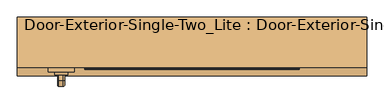
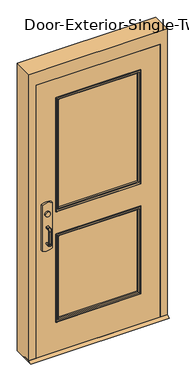
"""IFC4 building model written with IfcOpenShell, lengths in millimetres: door geometry, Door-Exterior-Single-Two_Lite : Door-Exterior-Single-Two_Lite."""

from ifc_helpers import new_model, si_unit, point, frame, frame_2d, origin, place, context, project, spatial, polyline, circle_curve, ellipse_curve, trimmed, segment, composite_curve, outline, extrude, faceted_brep, source, transform, mapped, element, save
from ifc_brep_helpers import plane_surface, cylinder_surface, revolved_surface, advanced_brep


def door_exterior_single_two_lite_door_exterior_single_two_lite_8172dd16(model_context):
    return source(origin(), model_context, "Body", "SolidModel", [
        extrude(outline(polyline([(-112.7125, 12.7), (-87.3125, 0.0), (-182.5625, 0.0), (-157.1625, 12.7), (-112.7125, 12.7)])), frame((-508.0, 0.0, 0.0), z_axis=(1.0, 0.0, 0.0), x_axis=(0.0, 1.0, 0.0)), (0.0, 0.0, 1.0), 1016.0),
        extrude(outline(polyline([(150.2833333, -74.6125), (150.2833333, -80.9625), (-349.25, -80.9625), (-349.25, -74.6125), (150.2833333, -74.6125)])), frame((0.0, 0.0, 990.6), z_axis=(0.0, 0.0, 1.0), x_axis=(1.0, 0.0, 0.0)), (0.0, 0.0, 1.0), 50.8),
        advanced_brep(
        [(-412.75, -80.9625, 1041.4), (-349.25, -80.9625, 1041.4), (400.05, -80.9625, 1041.4), (400.05, -80.9625, 990.6), (-349.25, -80.9625, 990.6), (-412.75, -80.9625, 990.6), (400.05, -112.7125, 1041.4), (-349.25, -112.7125, 1041.4), (-349.25, -112.7125, 1104.9), (-368.3, -112.7125, 1123.95), (-393.7, -112.7125, 1123.95), (-412.75, -112.7125, 1104.9), (-412.75, -112.7125, 927.1), (-393.7, -112.7125, 908.05), (-368.3, -112.7125, 908.05), (-349.25, -112.7125, 927.1), (-349.25, -112.7125, 990.6), (400.05, -112.7125, 990.6), (-412.75, -84.1377467, 1041.4), (-349.25, -84.1377467, 1041.4), (-412.75, -84.1377467, 990.6), (-412.75, -89.1479269, 927.1), (-412.75, -89.1479269, 1104.9), (-349.25, -84.1377467, 990.6), (-349.25, -89.1479269, 1104.9), (-349.25, -89.1479269, 927.1), (-368.3, -90.650981, 1123.95), (-393.7, -90.650981, 1123.95), (-393.7, -90.650981, 908.05), (-368.3, -90.650981, 908.05)],
        [
            (0, 1),
            (1, 2),
            (2, 3),
            (3, 4),
            (4, 5),
            (5, 0),
            (6, 7),
            (7, 8),
            (8, 9, circle_curve(frame((-368.3, -112.7125, 1104.9), z_axis=(0.0, -1.0, 0.0), x_axis=(1.0, 0.0, 0.0)), 19.05)),
            (9, 10),
            (10, 11, circle_curve(frame((-393.7, -112.7125, 1104.9), z_axis=(0.0, -1.0, 0.0), x_axis=(1.0, 0.0, 0.0)), 19.05)),
            (11, 12),
            (12, 13, circle_curve(frame((-393.7, -112.7125, 927.1), z_axis=(0.0, -1.0, 0.0), x_axis=(1.0, 0.0, 0.0)), 19.05)),
            (13, 14),
            (14, 15, circle_curve(frame((-368.3, -112.7125, 927.1), z_axis=(0.0, -1.0, 0.0), x_axis=(1.0, 0.0, 0.0)), 19.05)),
            (15, 16),
            (16, 17),
            (17, 6),
            (0, 18),
            (18, 19),
            (19, 7),
            (6, 2),
            (5, 20),
            (20, 21),
            (21, 12),
            (11, 22),
            (22, 18),
            (16, 23),
            (23, 20),
            (3, 17),
            (19, 24),
            (24, 8),
            (15, 25),
            (25, 23),
            (9, 26),
            (26, 27),
            (27, 10),
            (13, 28),
            (28, 29),
            (29, 14),
            (29, 25, ellipse_curve(frame((-368.3, -89.1479269, 927.1), z_axis=(0.0, -0.9969018152893365, 0.07865602756830282), x_axis=(0.0, 0.07865602756830208, 0.9969018152893365)), 19.1092038, 19.05)),
            (24, 26, ellipse_curve(frame((-368.3, -89.1479269, 1104.9), z_axis=(0.0, -0.9969018152893376, -0.07865602756828934), x_axis=(0.0, 0.078656027568288, -0.9969018152893377)), 19.1092038, 19.05)),
            (27, 22, ellipse_curve(frame((-393.7, -89.1479269, 1104.9), z_axis=(0.0, -0.9969018152893376, -0.07865602756828934), x_axis=(0.0, 0.078656027568288, -0.9969018152893377)), 19.1092038, 19.05)),
            (21, 28, ellipse_curve(frame((-393.7, -89.1479269, 927.1), z_axis=(0.0, -0.9969018152893365, 0.07865602756830282), x_axis=(0.0, 0.07865602756830208, 0.9969018152893365)), 19.1092038, 19.05)),
        ],
        [
            plane_surface(frame((-412.75, -80.9625, 1041.4), z_axis=(0.0, 1.0, 0.0), x_axis=(-1.0, 0.0, 0.0))),
            plane_surface(frame((-412.75, -112.7125, 1041.4), z_axis=(0.0, -1.0, 0.0), x_axis=(1.0, 0.0, 0.0))),
            plane_surface(frame((400.05, -80.9625, 1041.4), z_axis=(0.0, 0.0, 1.0), x_axis=(0.0, -1.0, 0.0))),
            plane_surface(frame((-412.75, -80.9625, 1041.4), z_axis=(-1.0, 0.0, 0.0), x_axis=(0.0, -1.0, 0.0))),
            plane_surface(frame((-412.75, -80.9625, 990.6), z_axis=(0.0, 0.0, -1.0), x_axis=(0.0, -1.0, 0.0))),
            plane_surface(frame((400.05, -80.9625, 990.6), z_axis=(1.0, 0.0, 0.0), x_axis=(0.0, -1.0, 0.0))),
            plane_surface(frame((-349.25, -84.1377467, 927.1), z_axis=(1.0, 0.0, 0.0), x_axis=(0.0, -1.0, 0.0))),
            plane_surface(frame((-368.3, -84.1377467, 1123.95), z_axis=(0.0, 0.0, 1.0), x_axis=(0.0, -1.0, 0.0))),
            plane_surface(frame((-393.7, -84.1377467, 908.05), z_axis=(0.0, 0.0, -1.0), x_axis=(0.0, -1.0, 0.0))),
            cylinder_surface(frame((-368.3, -112.7125, 927.1), z_axis=(0.0, 1.0, 0.0), x_axis=(1.0, 0.0, 0.0)), 19.05),
            cylinder_surface(frame((-368.3, -112.7125, 1104.9), z_axis=(0.0, 1.0, 0.0), x_axis=(1.0, 0.0, 0.0)), 19.05),
            cylinder_surface(frame((-393.7, -112.7125, 1104.9), z_axis=(0.0, 1.0, 0.0), x_axis=(1.0, 0.0, 0.0)), 19.05),
            cylinder_surface(frame((-393.7, -112.7125, 927.1), z_axis=(0.0, 1.0, 0.0), x_axis=(1.0, 0.0, 0.0)), 19.05),
            plane_surface(frame((-349.25, -84.1377467, 1041.4), z_axis=(0.0, 0.9969018152893376, 0.07865602756828934), x_axis=(-1.0, 0.0, 0.0))),
            plane_surface(frame((-349.25, -90.650981, 908.05), z_axis=(0.0, 0.9969018152893365, -0.07865602756830282), x_axis=(-1.0, 0.0, 0.0))),
        ],
        [
            (0, [[1, 2, 3, 4, 5, 6]]),
            (1, [[7, 8, 9, 10, 11, 12, 13, 14, 15, 16, 17, 18]]),
            (2, [[-2, -1, 19, 20, 21, -7, 22]]),
            (3, [[23, 24, 25, -12, 26, 27, -19, -6]]),
            (4, [[-17, 28, 29, -23, -5, -4, 30]]),
            (5, [[-22, -18, -30, -3]]),
            (6, [[-21, 31, 32, -8]]),
            (6, [[33, 34, -28, -16]]),
            (7, [[35, 36, 37, -10]]),
            (8, [[38, 39, 40, -14]]),
            (9, [[-40, 41, -33, -15]]),
            (10, [[-32, 42, -35, -9]]),
            (11, [[-37, 43, -26, -11]]),
            (12, [[-25, 44, -38, -13]]),
            (13, [[-27, -43, -36, -42, -31, -20]]),
            (14, [[-29, -34, -41, -39, -44, -24]]),
        ],
    ),
        advanced_brep(
        [(-391.0, -169.8625, 1017.190625), (-387.428125, -169.8625, 1020.7625), (-374.571875, -169.8625, 1020.7625), (-371.0, -169.8625, 1017.190625), (-371.0, -169.8625, 1014.8090406), (-374.5715406, -169.8625, 1011.2375), (-387.428125, -169.8625, 1011.2375), (-391.0, -169.8625, 1014.809375), (-391.0, -169.8625, 887.809375), (-391.0, -169.8625, 890.190625), (-387.428125, -169.8625, 893.7625), (-374.5715406, -169.8625, 893.7625), (-371.0, -169.8625, 890.1909594), (-371.0, -169.8625, 887.809375), (-374.571875, -169.8625, 884.2375), (-387.428125, -169.8625, 884.2375), (-391.0, -195.2625, 1014.809375), (-391.0, -206.771875, 1003.3), (-391.0, -206.771875, 901.7), (-391.0, -195.2625, 890.190625), (-391.0, -195.2625, 887.809375), (-391.0, -209.153125, 901.7), (-391.0, -209.153125, 1003.3), (-391.0, -195.2625, 1017.190625), (-387.428125, -195.2625, 1011.2375), (-374.5715406, -195.2625, 1011.2375), (-371.0, -195.2625, 1014.8090406), (-371.0, -195.2625, 1017.190625), (-371.0, -209.153125, 1003.3), (-371.0, -209.153125, 901.7), (-371.0, -195.2625, 887.809375), (-371.0, -195.2625, 890.1909594), (-371.0, -206.7715406, 901.7), (-371.0, -206.7715406, 1003.3), (-374.571875, -195.2625, 1020.7625), (-387.428125, -195.2625, 1020.7625), (-387.428125, -203.2, 1003.3), (-374.5715406, -203.2, 1003.3), (-374.571875, -212.725, 1003.3), (-387.428125, -212.725, 1003.3), (-387.428125, -203.2, 901.7), (-374.5715406, -203.2, 901.7), (-374.571875, -212.725, 901.7), (-387.428125, -212.725, 901.7), (-387.428125, -195.2625, 893.7625), (-374.5715406, -195.2625, 893.7625), (-374.571875, -195.2625, 884.2375), (-387.428125, -195.2625, 884.2375)],
        [
            (0, 1, circle_curve(frame((-387.428125, -169.8625, 1017.190625), z_axis=(0.0, 1.0, 0.0), x_axis=(0.0, 0.0, 1.0)), 3.571875)),
            (1, 2),
            (2, 3, circle_curve(frame((-374.571875, -169.8625, 1017.190625), z_axis=(0.0, 1.0, 0.0), x_axis=(0.0, 0.0, 1.0)), 3.571875)),
            (3, 4),
            (4, 5, circle_curve(frame((-374.5715406, -169.8625, 1014.8090406), z_axis=(0.0, 1.0, 0.0), x_axis=(0.0, 0.0, 1.0)), 3.5715406)),
            (5, 6),
            (6, 7, circle_curve(frame((-387.428125, -169.8625, 1014.809375), z_axis=(0.0, 1.0, 0.0), x_axis=(0.0, 0.0, 1.0)), 3.571875)),
            (7, 0),
            (8, 9),
            (9, 10, circle_curve(frame((-387.428125, -169.8625, 890.190625), z_axis=(0.0, 1.0, 0.0), x_axis=(0.0, 0.0, -1.0)), 3.571875)),
            (10, 11),
            (11, 12, circle_curve(frame((-374.5715406, -169.8625, 890.1909594), z_axis=(0.0, 1.0, 0.0), x_axis=(0.0, 0.0, -1.0)), 3.5715406)),
            (12, 13),
            (13, 14, circle_curve(frame((-374.571875, -169.8625, 887.809375), z_axis=(0.0, 1.0, 0.0), x_axis=(0.0, 0.0, -1.0)), 3.571875)),
            (14, 15),
            (15, 8, circle_curve(frame((-387.428125, -169.8625, 887.809375), z_axis=(0.0, 1.0, 0.0), x_axis=(0.0, 0.0, -1.0)), 3.571875)),
            (7, 16),
            (16, 17, circle_curve(frame((-391.0, -195.2625, 1003.3), z_axis=(1.0, 0.0, 0.0), x_axis=(0.0, 0.0, 1.0)), 11.509375)),
            (17, 18),
            (18, 19, circle_curve(frame((-391.0, -195.2625, 901.7), z_axis=(1.0, 0.0, 0.0), x_axis=(0.0, -1.0, 0.0)), 11.509375)),
            (19, 9),
            (8, 20),
            (20, 21, circle_curve(frame((-391.0, -195.2625, 901.7), z_axis=(-1.0, 0.0, 0.0), x_axis=(0.0, -1.0, 0.0)), 13.890625)),
            (21, 22),
            (22, 23, circle_curve(frame((-391.0, -195.2625, 1003.3), z_axis=(-1.0, 0.0, 0.0), x_axis=(0.0, 0.0, 1.0)), 13.890625)),
            (23, 0),
            (6, 24),
            (24, 16, circle_curve(frame((-387.428125, -195.2625, 1014.809375), z_axis=(0.0, 1.0, 0.0), x_axis=(0.0, 0.0, 1.0)), 3.571875)),
            (5, 25),
            (25, 24),
            (4, 26),
            (26, 25, circle_curve(frame((-374.5715406, -195.2625, 1014.8090406), z_axis=(0.0, 1.0, 0.0), x_axis=(0.0, 0.0, 1.0)), 3.5715406)),
            (3, 27),
            (27, 28, circle_curve(frame((-371.0, -195.2625, 1003.3), z_axis=(1.0, 0.0, 0.0), x_axis=(0.0, 0.0, 1.0)), 13.890625)),
            (28, 29),
            (29, 30, circle_curve(frame((-371.0, -195.2625, 901.7), z_axis=(1.0, 0.0, 0.0), x_axis=(0.0, -1.0, 0.0)), 13.890625)),
            (30, 13),
            (12, 31),
            (31, 32, circle_curve(frame((-371.0, -195.2625, 901.7), z_axis=(-1.0, 0.0, 0.0), x_axis=(0.0, -1.0, 0.0)), 11.5090406)),
            (32, 33),
            (33, 26, circle_curve(frame((-371.0, -195.2625, 1003.3), z_axis=(-1.0, 0.0, 0.0), x_axis=(0.0, 0.0, 1.0)), 11.5090406)),
            (2, 34),
            (34, 27, circle_curve(frame((-374.571875, -195.2625, 1017.190625), z_axis=(0.0, 1.0, 0.0), x_axis=(0.0, 0.0, 1.0)), 3.571875)),
            (1, 35),
            (35, 34),
            (23, 35, circle_curve(frame((-387.428125, -195.2625, 1017.190625), z_axis=(0.0, 1.0, 0.0), x_axis=(0.0, 0.0, 1.0)), 3.571875)),
            (36, 17, circle_curve(frame((-387.428125, -206.771875, 1003.3), z_axis=(0.0, 0.0, 1.0), x_axis=(0.0, -1.0, 0.0)), 3.571875)),
            (24, 36, circle_curve(frame((-387.428125, -195.2625, 1003.3), z_axis=(1.0, 0.0, 0.0), x_axis=(0.0, 0.0, 1.0)), 7.9375)),
            (37, 36),
            (25, 37, circle_curve(frame((-374.5715406, -195.2625, 1003.3), z_axis=(1.0, 0.0, 0.0), x_axis=(0.0, 0.0, 1.0)), 7.9375)),
            (33, 37, circle_curve(frame((-374.5715406, -206.7715406, 1003.3), z_axis=(0.0, 0.0, 1.0), x_axis=(0.0, -1.0, 0.0)), 3.5715406)),
            (38, 28, circle_curve(frame((-374.571875, -209.153125, 1003.3), z_axis=(0.0, 0.0, 1.0), x_axis=(0.0, -1.0, 0.0)), 3.571875)),
            (34, 38, circle_curve(frame((-374.571875, -195.2625, 1003.3), z_axis=(1.0, 0.0, 0.0), x_axis=(0.0, 0.0, 1.0)), 17.4625)),
            (39, 38),
            (35, 39, circle_curve(frame((-387.428125, -195.2625, 1003.3), z_axis=(1.0, 0.0, 0.0), x_axis=(0.0, 0.0, 1.0)), 17.4625)),
            (22, 39, circle_curve(frame((-387.428125, -209.153125, 1003.3), z_axis=(0.0, 0.0, 1.0), x_axis=(0.0, -1.0, 0.0)), 3.571875)),
            (36, 40),
            (40, 18, circle_curve(frame((-387.428125, -206.771875, 901.7), z_axis=(0.0, 0.0, 1.0), x_axis=(0.0, -1.0, 0.0)), 3.571875)),
            (37, 41),
            (41, 40),
            (32, 41, circle_curve(frame((-374.5715406, -206.7715406, 901.7), z_axis=(0.0, 0.0, 1.0), x_axis=(0.0, -1.0, 0.0)), 3.5715406)),
            (38, 42),
            (42, 29, circle_curve(frame((-374.571875, -209.153125, 901.7), z_axis=(0.0, 0.0, 1.0), x_axis=(0.0, -1.0, 0.0)), 3.571875)),
            (39, 43),
            (43, 42),
            (21, 43, circle_curve(frame((-387.428125, -209.153125, 901.7), z_axis=(0.0, 0.0, 1.0), x_axis=(0.0, -1.0, 0.0)), 3.571875)),
            (44, 19, circle_curve(frame((-387.428125, -195.2625, 890.190625), z_axis=(0.0, -1.0, 0.0), x_axis=(0.0, 0.0, -1.0)), 3.571875)),
            (40, 44, circle_curve(frame((-387.428125, -195.2625, 901.7), z_axis=(1.0, 0.0, 0.0), x_axis=(0.0, -1.0, 0.0)), 7.9375)),
            (45, 44),
            (41, 45, circle_curve(frame((-374.5715406, -195.2625, 901.7), z_axis=(1.0, 0.0, 0.0), x_axis=(0.0, -1.0, 0.0)), 7.9375)),
            (31, 45, circle_curve(frame((-374.5715406, -195.2625, 890.1909594), z_axis=(0.0, -1.0, 0.0), x_axis=(0.0, 0.0, -1.0)), 3.5715406)),
            (46, 30, circle_curve(frame((-374.571875, -195.2625, 887.809375), z_axis=(0.0, -1.0, 0.0), x_axis=(0.0, 0.0, -1.0)), 3.571875)),
            (42, 46, circle_curve(frame((-374.571875, -195.2625, 901.7), z_axis=(1.0, 0.0, 0.0), x_axis=(0.0, -1.0, 0.0)), 17.4625)),
            (47, 46),
            (43, 47, circle_curve(frame((-387.428125, -195.2625, 901.7), z_axis=(1.0, 0.0, 0.0), x_axis=(0.0, -1.0, 0.0)), 17.4625)),
            (20, 47, circle_curve(frame((-387.428125, -195.2625, 887.809375), z_axis=(0.0, -1.0, 0.0), x_axis=(0.0, 0.0, -1.0)), 3.571875)),
            (44, 10),
            (45, 11),
            (46, 14),
            (47, 15),
        ],
        [
            plane_surface(frame((-381.0, -169.8625, 1016.0), z_axis=(0.0, 1.0, 0.0), x_axis=(1.0, 0.0, 0.0))),
            plane_surface(frame((-381.0, -169.8625, 889.0), z_axis=(0.0, 1.0, 0.0), x_axis=(1.0, 0.0, 0.0))),
            plane_surface(frame((-391.0, -169.8625, 1017.190625), z_axis=(-1.0, 0.0, 0.0), x_axis=(0.0, -1.0, 0.0))),
            cylinder_surface(frame((-387.428125, -169.8625, 1014.809375), z_axis=(0.0, 1.0, 0.0), x_axis=(0.0, 0.0, 1.0)), 3.571875),
            plane_surface(frame((-387.428125, -169.8625, 1011.2375), z_axis=(0.0, 0.0, -1.0), x_axis=(0.0, -1.0, 0.0))),
            cylinder_surface(frame((-374.5715406, -169.8625, 1014.8090406), z_axis=(0.0, 1.0, 0.0), x_axis=(0.0, 0.0, 1.0)), 3.5715406),
            plane_surface(frame((-371.0, -169.8625, 1014.8090406), z_axis=(1.0, 0.0, 0.0), x_axis=(0.0, -1.0, 0.0))),
            cylinder_surface(frame((-374.571875, -169.8625, 1017.190625), z_axis=(0.0, 1.0, 0.0), x_axis=(0.0, 0.0, 1.0)), 3.571875),
            plane_surface(frame((-374.571875, -169.8625, 1020.7625), z_axis=(0.0, 0.0, 1.0), x_axis=(0.0, -1.0, 0.0))),
            cylinder_surface(frame((-387.428125, -169.8625, 1017.190625), z_axis=(0.0, 1.0, 0.0), x_axis=(0.0, 0.0, 1.0)), 3.571875),
            revolved_surface(trimmed(ellipse_curve(frame((-387.428125, -195.2625, 1014.809375), z_axis=(0.0, -1.0, 0.0), x_axis=(0.0, 0.0, 1.0)), 3.571875, 3.571875), [point((-391.0, -195.2625, 1014.809375))], [point((-387.428125, -195.2625, 1011.2375))], True, "CARTESIAN"), (-381.0, -195.2625, 1003.3), (-1.0, 0.0, 0.0)),
            revolved_surface(polyline([(-387.428125, -195.2625, 1011.2375), (-374.5715406, -195.2625, 1011.2375)]), (-381.0, -195.2625, 1003.3), (-1.0, 0.0, 0.0)),
            revolved_surface(trimmed(ellipse_curve(frame((-374.5715406, -195.2625, 1014.8090406), z_axis=(0.0, -1.0, 0.0), x_axis=(0.0, 0.0, 1.0)), 3.5715406, 3.5715406), [point((-374.5715406, -195.2625, 1011.2375))], [point((-371.0, -195.2625, 1014.8090406))], True, "CARTESIAN"), (-381.0, -195.2625, 1003.3), (-1.0, 0.0, 0.0)),
            revolved_surface(trimmed(ellipse_curve(frame((-374.571875, -195.2625, 1017.190625), z_axis=(0.0, -1.0, 0.0), x_axis=(0.0, 0.0, 1.0)), 3.571875, 3.571875), [point((-371.0, -195.2625, 1017.190625))], [point((-374.571875, -195.2625, 1020.7625))], True, "CARTESIAN"), (-381.0, -195.2625, 1003.3), (-1.0, 0.0, 0.0)),
            cylinder_surface(frame((-381.0, -195.2625, 1003.3), z_axis=(-1.0, 0.0, 0.0), x_axis=(0.0, 0.0, 1.0)), 17.4625),
            revolved_surface(trimmed(ellipse_curve(frame((-387.428125, -195.2625, 1017.190625), z_axis=(0.0, -1.0, 0.0), x_axis=(0.0, 0.0, 1.0)), 3.571875, 3.571875), [point((-387.428125, -195.2625, 1020.7625))], [point((-391.0, -195.2625, 1017.190625))], True, "CARTESIAN"), (-381.0, -195.2625, 1003.3), (-1.0, 0.0, 0.0)),
            cylinder_surface(frame((-387.428125, -206.771875, 1003.3), z_axis=(0.0, 0.0, 1.0), x_axis=(0.0, -1.0, 0.0)), 3.571875),
            plane_surface(frame((-387.428125, -203.2, 1003.3), z_axis=(0.0, 1.0, 0.0), x_axis=(0.0, 0.0, -1.0))),
            cylinder_surface(frame((-374.5715406, -206.7715406, 1003.3), z_axis=(0.0, 0.0, 1.0), x_axis=(0.0, -1.0, 0.0)), 3.5715406),
            cylinder_surface(frame((-374.571875, -209.153125, 1003.3), z_axis=(0.0, 0.0, 1.0), x_axis=(0.0, -1.0, 0.0)), 3.571875),
            plane_surface(frame((-374.571875, -212.725, 1003.3), z_axis=(0.0, -1.0, 0.0), x_axis=(0.0, 0.0, -1.0))),
            cylinder_surface(frame((-387.428125, -209.153125, 1003.3), z_axis=(0.0, 0.0, 1.0), x_axis=(0.0, -1.0, 0.0)), 3.571875),
            revolved_surface(trimmed(ellipse_curve(frame((-387.428125, -206.771875, 901.7), z_axis=(0.0, 0.0, -1.0), x_axis=(0.0, -1.0, 0.0)), 3.571875, 3.571875), [point((-391.0, -206.771875, 901.7))], [point((-387.428125, -203.2, 901.7))], True, "CARTESIAN"), (-381.0, -195.2625, 901.7), (-1.0, 0.0, 0.0)),
            revolved_surface(polyline([(-387.428125, -203.2, 901.7), (-374.5715406, -203.2, 901.7)]), (-381.0, -195.2625, 901.7), (-1.0, 0.0, 0.0)),
            revolved_surface(trimmed(ellipse_curve(frame((-374.5715406, -206.7715406, 901.7), z_axis=(0.0, 0.0, -1.0), x_axis=(0.0, -1.0, 0.0)), 3.5715406, 3.5715406), [point((-374.5715406, -203.2, 901.7))], [point((-371.0, -206.7715406, 901.7))], True, "CARTESIAN"), (-381.0, -195.2625, 901.7), (-1.0, 0.0, 0.0)),
            revolved_surface(trimmed(ellipse_curve(frame((-374.571875, -209.153125, 901.7), z_axis=(0.0, 0.0, -1.0), x_axis=(0.0, -1.0, 0.0)), 3.571875, 3.571875), [point((-371.0, -209.153125, 901.7))], [point((-374.571875, -212.725, 901.7))], True, "CARTESIAN"), (-381.0, -195.2625, 901.7), (-1.0, 0.0, 0.0)),
            cylinder_surface(frame((-381.0, -195.2625, 901.7), z_axis=(-1.0, 0.0, 0.0), x_axis=(0.0, -1.0, 0.0)), 17.4625),
            revolved_surface(trimmed(ellipse_curve(frame((-387.428125, -209.153125, 901.7), z_axis=(0.0, 0.0, -1.0), x_axis=(0.0, -1.0, 0.0)), 3.571875, 3.571875), [point((-387.428125, -212.725, 901.7))], [point((-391.0, -209.153125, 901.7))], True, "CARTESIAN"), (-381.0, -195.2625, 901.7), (-1.0, 0.0, 0.0)),
            cylinder_surface(frame((-387.428125, -195.2625, 890.190625), z_axis=(0.0, -1.0, 0.0), x_axis=(0.0, 0.0, -1.0)), 3.571875),
            plane_surface(frame((-387.428125, -195.2625, 893.7625), z_axis=(0.0, 0.0, 1.0), x_axis=(0.0, 1.0, 0.0))),
            cylinder_surface(frame((-374.5715406, -195.2625, 890.1909594), z_axis=(0.0, -1.0, 0.0), x_axis=(0.0, 0.0, -1.0)), 3.5715406),
            cylinder_surface(frame((-374.571875, -195.2625, 887.809375), z_axis=(0.0, -1.0, 0.0), x_axis=(0.0, 0.0, -1.0)), 3.571875),
            plane_surface(frame((-374.571875, -195.2625, 884.2375), z_axis=(0.0, 0.0, -1.0), x_axis=(0.0, 1.0, 0.0))),
            cylinder_surface(frame((-387.428125, -195.2625, 887.809375), z_axis=(0.0, -1.0, 0.0), x_axis=(0.0, 0.0, -1.0)), 3.571875),
        ],
        [
            (0, [[1, 2, 3, 4, 5, 6, 7, 8]]),
            (1, [[9, 10, 11, 12, 13, 14, 15, 16]]),
            (2, [[17, 18, 19, 20, 21, -9, 22, 23, 24, 25, 26, -8]]),
            (3, [[27, 28, -17, -7]]),
            (4, [[29, 30, -27, -6]]),
            (5, [[31, 32, -29, -5]]),
            (6, [[33, 34, 35, 36, 37, -13, 38, 39, 40, 41, -31, -4]]),
            (7, [[42, 43, -33, -3]]),
            (8, [[44, 45, -42, -2]]),
            (9, [[-26, 46, -44, -1]]),
            (10, [[47, -18, -28, 48]]),
            (11, [[49, -48, -30, 50]]),
            (12, [[51, -50, -32, -41]]),
            (13, [[52, -34, -43, 53]]),
            (14, [[54, -53, -45, 55]]),
            (15, [[56, -55, -46, -25]]),
            (16, [[57, 58, -19, -47]]),
            (17, [[59, 60, -57, -49]]),
            (18, [[-40, 61, -59, -51]]),
            (19, [[62, 63, -35, -52]]),
            (20, [[64, 65, -62, -54]]),
            (21, [[-24, 66, -64, -56]]),
            (22, [[67, -20, -58, 68]]),
            (23, [[69, -68, -60, 70]]),
            (24, [[71, -70, -61, -39]]),
            (25, [[72, -36, -63, 73]]),
            (26, [[74, -73, -65, 75]]),
            (27, [[76, -75, -66, -23]]),
            (28, [[77, -10, -21, -67]]),
            (29, [[78, -11, -77, -69]]),
            (30, [[-38, -12, -78, -71]]),
            (31, [[79, -14, -37, -72]]),
            (32, [[80, -15, -79, -74]]),
            (33, [[-22, -16, -80, -76]]),
        ],
    ),
        extrude(outline(composite_curve([segment(trimmed(circle_curve(frame_2d((1117.6, -381.0)), 19.0), [point((1117.6, -400.0))], [point((1117.6, -362.0))], False, "CARTESIAN"), True, "CONTINUOUS"), segment(trimmed(circle_curve(frame_2d((1117.6, -381.0)), 19.0), [point((1117.6, -362.0))], [point((1117.6, -400.0))], False, "CARTESIAN"), True, "CONTINUOUS")], self_intersect=False)), frame((0.0, -178.59375, 0.0), z_axis=(0.0, 1.0, 0.0), x_axis=(0.0, 0.0, 1.0)), (0.0, 0.0, 1.0), 8.73125),
        extrude(outline(composite_curve([segment(trimmed(circle_curve(frame_2d((1113.0338574, -381.0)), 89.3016225), [point((1193.8, -342.9))], [point((1193.8, -419.1))], False, "CARTESIAN"), True, "CONTINUOUS"), segment(polyline([(1193.8, -419.1), (838.2, -419.1)]), True, "CONTINUOUS"), segment(trimmed(circle_curve(frame_2d((918.9661426, -381.0)), 89.3016225), [point((838.2, -419.1))], [point((838.2, -342.9))], False, "CARTESIAN"), True, "CONTINUOUS"), segment(polyline([(838.2, -342.9), (1193.8, -342.9)]), True, "CONTINUOUS")], self_intersect=False)), frame((0.0, -169.8625, 0.0), z_axis=(0.0, 1.0, 0.0), x_axis=(0.0, 0.0, 1.0)), (0.0, 0.0, 1.0), 12.7),
        faceted_brep([(457.2, -107.95, 0.0), (441.325, -107.95, 0.0), (441.325, -60.325, 0.0), (457.2, -60.325, 0.0), (457.2, -11.1125, 0.0), (508.0, -11.1125, 0.0), (508.0, -157.1625, 0.0), (457.2, -157.1625, 0.0), (457.2, -157.1625, 2133.6), (457.2, -107.95, 2133.6), (508.0, -157.1625, 2235.2), (-508.0, -157.1625, 2235.2), (-508.0, -157.1625, 0.0), (-457.2, -157.1625, 0.0), (-457.2, -157.1625, 2133.6), (508.0, -11.1125, 2235.2), (457.2, -11.1125, 2133.6), (-457.2, -11.1125, 2133.6), (-457.2, -11.1125, 0.0), (-508.0, -11.1125, 0.0), (-508.0, -11.1125, 2235.2), (457.2, -60.325, 2133.6), (441.325, -60.325, 2117.725), (-441.325, -60.325, 2117.725), (-441.325, -60.325, 0.0), (-457.2, -60.325, 0.0), (-457.2, -60.325, 2133.6), (441.325, -107.95, 2117.725), (-457.2, -107.95, 2133.6), (-457.2, -107.95, 0.0), (-441.325, -107.95, 0.0), (-441.325, -107.95, 2117.725)], [[[0, 1, 2, 3, 4, 5, 6, 7]], [[7, 8, 9, 0]], [[6, 10, 11, 12, 13, 14, 8, 7]], [[5, 15, 10, 6]], [[4, 16, 17, 18, 19, 20, 15, 5]], [[3, 21, 16, 4]], [[2, 22, 23, 24, 25, 26, 21, 3]], [[1, 27, 22, 2]], [[0, 9, 28, 29, 30, 31, 27, 1]], [[8, 14, 28, 9]], [[16, 21, 26, 17]], [[22, 27, 31, 23]], [[12, 19, 18, 25, 24, 30, 29, 13]], [[13, 29, 28, 14]], [[11, 20, 19, 12]], [[17, 26, 25, 18]], [[23, 31, 30, 24]], [[15, 20, 11, 10]]]),
        extrude(outline(polyline([(2133.6, -457.2), (12.7, -457.2), (12.7, 457.2), (2133.6, 457.2), (2133.6, -457.2)]), holes=[polyline([(1981.2, -304.8), (1981.2, 304.8), (1111.25, 304.8), (1111.25, -304.8), (1981.2, -304.8)]), polyline([(920.75, -304.8), (920.75, 304.8), (254.0, 304.8), (254.0, -304.8), (920.75, -304.8)])]), frame((0.0, -157.1625, 0.0), z_axis=(0.0, 1.0, 0.0), x_axis=(0.0, 0.0, 1.0)), (0.0, 0.0, 1.0), 44.45),
        extrude(outline(polyline([(304.8, -125.4125), (304.8, -144.4625), (-304.8, -144.4625), (-304.8, -125.4125), (304.8, -125.4125)])), frame((0.0, 0.0, 1111.25), z_axis=(0.0, 0.0, 1.0), x_axis=(1.0, 0.0, 0.0)), (0.0, 0.0, 1.0), 869.95),
        extrude(outline(polyline([(304.8, -125.4125), (304.8, -144.4625), (-304.8, -144.4625), (-304.8, -125.4125), (304.8, -125.4125)])), frame((0.0, 0.0, 254.0), z_axis=(0.0, 0.0, 1.0), x_axis=(1.0, 0.0, 0.0)), (0.0, 0.0, 1.0), 666.75),
        advanced_brep(
        [(304.8, -125.4125, 920.75), (304.8, -125.4125, 254.0), (304.8, -112.7125, 254.0), (304.8, -112.7125, 920.75), (292.8, -111.7125, 908.75), (292.8, -111.7125, 266.0), (292.8, -125.4125, 266.0), (292.8, -125.4125, 908.75), (297.8, -106.7125, 913.75), (297.8, -106.7125, 261.0), (312.8, -108.7125, 928.75), (312.8, -108.7125, 246.0), (310.8, -106.7125, 248.0), (310.8, -106.7125, 926.75), (312.8, -112.7125, 928.75), (312.8, -112.7125, 246.0), (-304.8, -125.4125, 254.0), (-304.8, -112.7125, 254.0), (-292.8, -111.7125, 266.0), (-292.8, -125.4125, 266.0), (-297.8, -106.7125, 261.0), (-312.8, -108.7125, 246.0), (-310.8, -106.7125, 248.0), (-312.8, -112.7125, 246.0), (-304.8, -125.4125, 920.75), (-304.8, -112.7125, 920.75), (-292.8, -111.7125, 908.75), (-292.8, -125.4125, 908.75), (-297.8, -106.7125, 913.75), (-312.8, -108.7125, 928.75), (-310.8, -106.7125, 926.75), (-312.8, -112.7125, 928.75)],
        [
            (0, 1),
            (1, 2),
            (2, 3),
            (3, 0),
            (4, 5),
            (5, 6),
            (6, 7),
            (7, 4),
            (8, 9),
            (9, 5, ellipse_curve(frame((297.8, -111.7125, 261.0), z_axis=(0.7071067811865475, 0.0, 0.7071067811865475), x_axis=(-0.7071067811865474, 0.0, 0.7071067811865476)), 7.0710678, 5.0)),
            (4, 8, ellipse_curve(frame((297.8, -111.7125, 913.75), z_axis=(0.7071067811865475, 0.0, -0.7071067811865475), x_axis=(0.7071067811865474, 0.0, 0.7071067811865476)), 7.0710678, 5.0)),
            (10, 11),
            (11, 12, ellipse_curve(frame((310.8, -108.7125, 248.0), z_axis=(0.7071067811865475, 0.0, 0.7071067811865475), x_axis=(-0.7071067811865474, 0.0, 0.7071067811865476)), 2.8284271, 2.0)),
            (12, 13),
            (13, 10, ellipse_curve(frame((310.8, -108.7125, 926.75), z_axis=(0.7071067811865475, 0.0, -0.7071067811865475), x_axis=(0.7071067811865474, 0.0, 0.7071067811865476)), 2.8284271, 2.0)),
            (14, 15),
            (15, 11),
            (10, 14),
            (1, 16),
            (16, 17),
            (17, 2),
            (5, 18),
            (18, 19),
            (19, 6),
            (9, 20),
            (20, 18, ellipse_curve(frame((-297.8, -111.7125, 261.0), z_axis=(0.7071067811865475, 0.0, -0.7071067811865475), x_axis=(0.7071067811865476, 0.0, 0.7071067811865474)), 7.0710678, 5.0)),
            (11, 21),
            (21, 22, ellipse_curve(frame((-310.8, -108.7125, 248.0), z_axis=(0.7071067811865475, 0.0, -0.7071067811865475), x_axis=(0.7071067811865476, 0.0, 0.7071067811865474)), 2.8284271, 2.0)),
            (22, 12),
            (15, 23),
            (23, 21),
            (16, 24),
            (24, 25),
            (25, 17),
            (18, 26),
            (26, 27),
            (27, 19),
            (20, 28),
            (28, 26, ellipse_curve(frame((-297.8, -111.7125, 913.75), z_axis=(-0.7071067811865475, 0.0, -0.7071067811865475), x_axis=(0.7071067811865474, 0.0, -0.7071067811865476)), 7.0710678, 5.0)),
            (21, 29),
            (29, 30, ellipse_curve(frame((-310.8, -108.7125, 926.75), z_axis=(-0.7071067811865475, 0.0, -0.7071067811865475), x_axis=(0.7071067811865474, 0.0, -0.7071067811865476)), 2.8284271, 2.0)),
            (30, 22),
            (23, 31),
            (31, 29),
            (14, 31),
            (25, 3),
            (24, 0),
            (27, 7),
            (26, 4),
            (28, 8),
            (30, 13),
            (29, 10),
        ],
        [
            plane_surface(frame((304.8, -112.7125, 920.75), z_axis=(1.0, 0.0, 0.0), x_axis=(0.0, 0.0, -1.0))),
            plane_surface(frame((292.8, -125.4125, 908.75), z_axis=(-1.0, 0.0, 0.0), x_axis=(0.0, 0.0, -1.0))),
            cylinder_surface(frame((297.8, -111.7125, 920.75), z_axis=(0.0, 0.0, 1.0), x_axis=(1.0, 0.0, 0.0)), 5.0),
            cylinder_surface(frame((310.8, -108.7125, 920.75), z_axis=(0.0, 0.0, 1.0), x_axis=(1.0, 0.0, 0.0)), 2.0),
            plane_surface(frame((312.8, -108.7125, 928.75), z_axis=(1.0, 0.0, 0.0), x_axis=(0.0, 0.0, -1.0))),
            plane_surface(frame((304.8, -112.7125, 254.0), z_axis=(0.0, 0.0, -1.0), x_axis=(-1.0, 0.0, 0.0))),
            plane_surface(frame((292.8, -125.4125, 266.0), z_axis=(0.0, 0.0, 1.0), x_axis=(-1.0, 0.0, 0.0))),
            cylinder_surface(frame((304.8, -111.7125, 261.0), z_axis=(1.0, 0.0, 0.0), x_axis=(0.0, 0.0, -1.0)), 5.0),
            cylinder_surface(frame((304.8, -108.7125, 248.0), z_axis=(1.0, 0.0, 0.0), x_axis=(0.0, 0.0, -1.0)), 2.0),
            plane_surface(frame((312.8, -108.7125, 246.0), z_axis=(0.0, 0.0, -1.0), x_axis=(-1.0, 0.0, 0.0))),
            plane_surface(frame((-304.8, -112.7125, 254.0), z_axis=(-1.0, 0.0, 0.0), x_axis=(0.0, 0.0, 1.0))),
            plane_surface(frame((-292.8, -125.4125, 266.0), z_axis=(1.0, 0.0, 0.0), x_axis=(0.0, 0.0, 1.0))),
            cylinder_surface(frame((-297.8, -111.7125, 254.0), z_axis=(0.0, 0.0, -1.0), x_axis=(-1.0, 0.0, 0.0)), 5.0),
            cylinder_surface(frame((-310.8, -108.7125, 254.0), z_axis=(0.0, 0.0, -1.0), x_axis=(-1.0, 0.0, 0.0)), 2.0),
            plane_surface(frame((-312.8, -108.7125, 246.0), z_axis=(-1.0, 0.0, 0.0), x_axis=(0.0, 0.0, 1.0))),
            plane_surface(frame((-312.8, -112.7125, 928.75), z_axis=(0.0, -1.0, 0.0), x_axis=(1.0, 0.0, 0.0))),
            plane_surface(frame((-304.8, -112.7125, 920.75), z_axis=(0.0, 0.0, 1.0), x_axis=(1.0, 0.0, 0.0))),
            plane_surface(frame((-304.8, -125.4125, 920.75), z_axis=(0.0, -1.0, 0.0), x_axis=(1.0, 0.0, 0.0))),
            plane_surface(frame((-292.8, -125.4125, 908.75), z_axis=(0.0, 0.0, -1.0), x_axis=(1.0, 0.0, 0.0))),
            cylinder_surface(frame((-304.8, -111.7125, 913.75), z_axis=(-1.0, 0.0, 0.0), x_axis=(0.0, 0.0, 1.0)), 5.0),
            plane_surface(frame((-297.8, -106.7125, 913.75), z_axis=(0.0, 1.0, 0.0), x_axis=(1.0, 0.0, 0.0))),
            cylinder_surface(frame((-304.8, -108.7125, 926.75), z_axis=(-1.0, 0.0, 0.0), x_axis=(0.0, 0.0, 1.0)), 2.0),
            plane_surface(frame((-312.8, -108.7125, 928.75), z_axis=(0.0, 0.0, 1.0), x_axis=(1.0, 0.0, 0.0))),
        ],
        [
            (0, [[1, 2, 3, 4]]),
            (1, [[5, 6, 7, 8]]),
            (2, [[9, 10, -5, 11]]),
            (3, [[12, 13, 14, 15]]),
            (4, [[16, 17, -12, 18]]),
            (5, [[19, 20, 21, -2]]),
            (6, [[22, 23, 24, -6]]),
            (7, [[25, 26, -22, -10]]),
            (8, [[27, 28, 29, -13]]),
            (9, [[30, 31, -27, -17]]),
            (10, [[32, 33, 34, -20]]),
            (11, [[35, 36, 37, -23]]),
            (12, [[38, 39, -35, -26]]),
            (13, [[40, 41, 42, -28]]),
            (14, [[43, 44, -40, -31]]),
            (15, [[-16, 45, -43, -30], [-3, -21, -34, 46]]),
            (16, [[47, -4, -46, -33]]),
            (17, [[-1, -47, -32, -19], [-7, -24, -37, 48]]),
            (18, [[49, -8, -48, -36]]),
            (19, [[50, -11, -49, -39]]),
            (20, [[-14, -29, -42, 51], [-9, -50, -38, -25]]),
            (21, [[52, -15, -51, -41]]),
            (22, [[-45, -18, -52, -44]]),
        ],
    ),
        advanced_brep(
        [(-304.8, -144.4625, 920.75), (-304.8, -144.4625, 254.0), (-304.8, -157.1625, 254.0), (-304.8, -157.1625, 920.75), (-292.8, -158.1625, 908.75), (-292.8, -158.1625, 266.0), (-292.8, -144.4625, 266.0), (-292.8, -144.4625, 908.75), (-297.8, -163.1625, 913.75), (-297.8, -163.1625, 261.0), (-312.8, -161.1625, 928.75), (-312.8, -161.1625, 246.0), (-310.8, -163.1625, 248.0), (-310.8, -163.1625, 926.75), (-312.8, -157.1625, 928.75), (-312.8, -157.1625, 246.0), (304.8, -144.4625, 254.0), (304.8, -157.1625, 254.0), (292.8, -158.1625, 266.0), (292.8, -144.4625, 266.0), (297.8, -163.1625, 261.0), (312.8, -161.1625, 246.0), (310.8, -163.1625, 248.0), (312.8, -157.1625, 246.0), (304.8, -144.4625, 920.75), (304.8, -157.1625, 920.75), (292.8, -158.1625, 908.75), (292.8, -144.4625, 908.75), (297.8, -163.1625, 913.75), (312.8, -161.1625, 928.75), (310.8, -163.1625, 926.75), (312.8, -157.1625, 928.75)],
        [
            (0, 1),
            (1, 2),
            (2, 3),
            (3, 0),
            (4, 5),
            (5, 6),
            (6, 7),
            (7, 4),
            (8, 9),
            (9, 5, ellipse_curve(frame((-297.8, -158.1625, 261.0), z_axis=(-0.7071067811865475, 0.0, 0.7071067811865475), x_axis=(0.7071067811865474, 0.0, 0.7071067811865476)), 7.0710678, 5.0)),
            (4, 8, ellipse_curve(frame((-297.8, -158.1625, 913.75), z_axis=(-0.7071067811865475, 0.0, -0.7071067811865475), x_axis=(-0.7071067811865474, 0.0, 0.7071067811865476)), 7.0710678, 5.0)),
            (10, 11),
            (11, 12, ellipse_curve(frame((-310.8, -161.1625, 248.0), z_axis=(-0.7071067811865475, 0.0, 0.7071067811865475), x_axis=(0.7071067811865474, 0.0, 0.7071067811865476)), 2.8284271, 2.0)),
            (12, 13),
            (13, 10, ellipse_curve(frame((-310.8, -161.1625, 926.75), z_axis=(-0.7071067811865475, 0.0, -0.7071067811865475), x_axis=(-0.7071067811865474, 0.0, 0.7071067811865476)), 2.8284271, 2.0)),
            (14, 15),
            (15, 11),
            (10, 14),
            (1, 16),
            (16, 17),
            (17, 2),
            (5, 18),
            (18, 19),
            (19, 6),
            (9, 20),
            (20, 18, ellipse_curve(frame((297.8, -158.1625, 261.0), z_axis=(-0.7071067811865475, 0.0, -0.7071067811865475), x_axis=(-0.7071067811865476, 0.0, 0.7071067811865474)), 7.0710678, 5.0)),
            (11, 21),
            (21, 22, ellipse_curve(frame((310.8, -161.1625, 248.0), z_axis=(-0.7071067811865475, 0.0, -0.7071067811865475), x_axis=(-0.7071067811865476, 0.0, 0.7071067811865474)), 2.8284271, 2.0)),
            (22, 12),
            (15, 23),
            (23, 21),
            (16, 24),
            (24, 25),
            (25, 17),
            (18, 26),
            (26, 27),
            (27, 19),
            (20, 28),
            (28, 26, ellipse_curve(frame((297.8, -158.1625, 913.75), z_axis=(0.7071067811865475, 0.0, -0.7071067811865475), x_axis=(-0.7071067811865474, 0.0, -0.7071067811865476)), 7.0710678, 5.0)),
            (21, 29),
            (29, 30, ellipse_curve(frame((310.8, -161.1625, 926.75), z_axis=(0.7071067811865475, 0.0, -0.7071067811865475), x_axis=(-0.7071067811865474, 0.0, -0.7071067811865476)), 2.8284271, 2.0)),
            (30, 22),
            (23, 31),
            (31, 29),
            (14, 31),
            (25, 3),
            (24, 0),
            (27, 7),
            (26, 4),
            (28, 8),
            (30, 13),
            (29, 10),
        ],
        [
            plane_surface(frame((-304.8, -157.1625, 920.75), z_axis=(-1.0, 0.0, 0.0), x_axis=(0.0, 0.0, -1.0))),
            plane_surface(frame((-292.8, -144.4625, 908.75), z_axis=(1.0, 0.0, 0.0), x_axis=(0.0, 0.0, -1.0))),
            cylinder_surface(frame((-297.8, -158.1625, 920.75), z_axis=(0.0, 0.0, 1.0), x_axis=(-1.0, 0.0, 0.0)), 5.0),
            cylinder_surface(frame((-310.8, -161.1625, 920.75), z_axis=(0.0, 0.0, 1.0), x_axis=(-1.0, 0.0, 0.0)), 2.0),
            plane_surface(frame((-312.8, -161.1625, 928.75), z_axis=(-1.0, 0.0, 0.0), x_axis=(0.0, 0.0, -1.0))),
            plane_surface(frame((-304.8, -157.1625, 254.0), z_axis=(0.0, 0.0, -1.0), x_axis=(1.0, 0.0, 0.0))),
            plane_surface(frame((-292.8, -144.4625, 266.0), z_axis=(0.0, 0.0, 1.0), x_axis=(1.0, 0.0, 0.0))),
            cylinder_surface(frame((-304.8, -158.1625, 261.0), z_axis=(-1.0, 0.0, 0.0), x_axis=(0.0, 0.0, -1.0)), 5.0),
            cylinder_surface(frame((-304.8, -161.1625, 248.0), z_axis=(-1.0, 0.0, 0.0), x_axis=(0.0, 0.0, -1.0)), 2.0),
            plane_surface(frame((-312.8, -161.1625, 246.0), z_axis=(0.0, 0.0, -1.0), x_axis=(1.0, 0.0, 0.0))),
            plane_surface(frame((304.8, -157.1625, 254.0), z_axis=(1.0, 0.0, 0.0), x_axis=(0.0, 0.0, 1.0))),
            plane_surface(frame((292.8, -144.4625, 266.0), z_axis=(-1.0, 0.0, 0.0), x_axis=(0.0, 0.0, 1.0))),
            cylinder_surface(frame((297.8, -158.1625, 254.0), z_axis=(0.0, 0.0, -1.0), x_axis=(1.0, 0.0, 0.0)), 5.0),
            cylinder_surface(frame((310.8, -161.1625, 254.0), z_axis=(0.0, 0.0, -1.0), x_axis=(1.0, 0.0, 0.0)), 2.0),
            plane_surface(frame((312.8, -161.1625, 246.0), z_axis=(1.0, 0.0, 0.0), x_axis=(0.0, 0.0, 1.0))),
            plane_surface(frame((312.8, -157.1625, 928.75), z_axis=(0.0, 1.0, 0.0), x_axis=(-1.0, 0.0, 0.0))),
            plane_surface(frame((304.8, -157.1625, 920.75), z_axis=(0.0, 0.0, 1.0), x_axis=(-1.0, 0.0, 0.0))),
            plane_surface(frame((304.8, -144.4625, 920.75), z_axis=(0.0, 1.0, 0.0), x_axis=(-1.0, 0.0, 0.0))),
            plane_surface(frame((292.8, -144.4625, 908.75), z_axis=(0.0, 0.0, -1.0), x_axis=(-1.0, 0.0, 0.0))),
            cylinder_surface(frame((304.8, -158.1625, 913.75), z_axis=(1.0, 0.0, 0.0), x_axis=(0.0, 0.0, 1.0)), 5.0),
            plane_surface(frame((297.8, -163.1625, 913.75), z_axis=(0.0, -1.0, 0.0), x_axis=(-1.0, 0.0, 0.0))),
            cylinder_surface(frame((304.8, -161.1625, 926.75), z_axis=(1.0, 0.0, 0.0), x_axis=(0.0, 0.0, 1.0)), 2.0),
            plane_surface(frame((312.8, -161.1625, 928.75), z_axis=(0.0, 0.0, 1.0), x_axis=(-1.0, 0.0, 0.0))),
        ],
        [
            (0, [[1, 2, 3, 4]]),
            (1, [[5, 6, 7, 8]]),
            (2, [[9, 10, -5, 11]]),
            (3, [[12, 13, 14, 15]]),
            (4, [[16, 17, -12, 18]]),
            (5, [[19, 20, 21, -2]]),
            (6, [[22, 23, 24, -6]]),
            (7, [[25, 26, -22, -10]]),
            (8, [[27, 28, 29, -13]]),
            (9, [[30, 31, -27, -17]]),
            (10, [[32, 33, 34, -20]]),
            (11, [[35, 36, 37, -23]]),
            (12, [[38, 39, -35, -26]]),
            (13, [[40, 41, 42, -28]]),
            (14, [[43, 44, -40, -31]]),
            (15, [[-16, 45, -43, -30], [-3, -21, -34, 46]]),
            (16, [[47, -4, -46, -33]]),
            (17, [[-1, -47, -32, -19], [-7, -24, -37, 48]]),
            (18, [[49, -8, -48, -36]]),
            (19, [[50, -11, -49, -39]]),
            (20, [[-14, -29, -42, 51], [-9, -50, -38, -25]]),
            (21, [[52, -15, -51, -41]]),
            (22, [[-45, -18, -52, -44]]),
        ],
    ),
        advanced_brep(
        [(-304.8, -125.4125, 1111.25), (-304.8, -125.4125, 1981.2), (-304.8, -112.7125, 1981.2), (-304.8, -112.7125, 1111.25), (-292.8, -111.7125, 1123.25), (-292.8, -111.7125, 1969.2), (-292.8, -125.4125, 1969.2), (-292.8, -125.4125, 1123.25), (-297.8, -106.7125, 1118.25), (-297.8, -106.7125, 1974.2), (-312.8, -108.7125, 1103.25), (-312.8, -108.7125, 1989.2), (-310.8, -106.7125, 1987.2), (-310.8, -106.7125, 1105.25), (-312.8, -112.7125, 1103.25), (-312.8, -112.7125, 1989.2), (304.8, -125.4125, 1981.2), (304.8, -112.7125, 1981.2), (292.8, -111.7125, 1969.2), (292.8, -125.4125, 1969.2), (297.8, -106.7125, 1974.2), (312.8, -108.7125, 1989.2), (310.8, -106.7125, 1987.2), (312.8, -112.7125, 1989.2), (304.8, -125.4125, 1111.25), (304.8, -112.7125, 1111.25), (292.8, -111.7125, 1123.25), (292.8, -125.4125, 1123.25), (297.8, -106.7125, 1118.25), (312.8, -108.7125, 1103.25), (310.8, -106.7125, 1105.25), (312.8, -112.7125, 1103.25)],
        [
            (0, 1),
            (1, 2),
            (2, 3),
            (3, 0),
            (4, 5),
            (5, 6),
            (6, 7),
            (7, 4),
            (8, 9),
            (9, 5, ellipse_curve(frame((-297.8, -111.7125, 1974.2), z_axis=(-0.7071067811865475, 0.0, -0.7071067811865475), x_axis=(0.7071067811865474, 0.0, -0.7071067811865476)), 7.0710678, 5.0)),
            (4, 8, ellipse_curve(frame((-297.8, -111.7125, 1118.25), z_axis=(-0.7071067811865475, 0.0, 0.7071067811865475), x_axis=(-0.7071067811865474, 0.0, -0.7071067811865476)), 7.0710678, 5.0)),
            (10, 11),
            (11, 12, ellipse_curve(frame((-310.8, -108.7125, 1987.2), z_axis=(-0.7071067811865475, 0.0, -0.7071067811865475), x_axis=(0.7071067811865474, 0.0, -0.7071067811865476)), 2.8284271, 2.0)),
            (12, 13),
            (13, 10, ellipse_curve(frame((-310.8, -108.7125, 1105.25), z_axis=(-0.7071067811865475, 0.0, 0.7071067811865475), x_axis=(-0.7071067811865474, 0.0, -0.7071067811865476)), 2.8284271, 2.0)),
            (14, 15),
            (15, 11),
            (10, 14),
            (1, 16),
            (16, 17),
            (17, 2),
            (5, 18),
            (18, 19),
            (19, 6),
            (9, 20),
            (20, 18, ellipse_curve(frame((297.8, -111.7125, 1974.2), z_axis=(-0.7071067811865475, 0.0, 0.7071067811865475), x_axis=(-0.7071067811865476, 0.0, -0.7071067811865474)), 7.0710678, 5.0)),
            (11, 21),
            (21, 22, ellipse_curve(frame((310.8, -108.7125, 1987.2), z_axis=(-0.7071067811865475, 0.0, 0.7071067811865475), x_axis=(-0.7071067811865476, 0.0, -0.7071067811865474)), 2.8284271, 2.0)),
            (22, 12),
            (15, 23),
            (23, 21),
            (16, 24),
            (24, 25),
            (25, 17),
            (18, 26),
            (26, 27),
            (27, 19),
            (20, 28),
            (28, 26, ellipse_curve(frame((297.8, -111.7125, 1118.25), z_axis=(0.7071067811865475, 0.0, 0.7071067811865475), x_axis=(-0.7071067811865474, 0.0, 0.7071067811865476)), 7.0710678, 5.0)),
            (21, 29),
            (29, 30, ellipse_curve(frame((310.8, -108.7125, 1105.25), z_axis=(0.7071067811865475, 0.0, 0.7071067811865475), x_axis=(-0.7071067811865474, 0.0, 0.7071067811865476)), 2.8284271, 2.0)),
            (30, 22),
            (23, 31),
            (31, 29),
            (14, 31),
            (25, 3),
            (24, 0),
            (27, 7),
            (26, 4),
            (28, 8),
            (30, 13),
            (29, 10),
        ],
        [
            plane_surface(frame((-304.8, -112.7125, 1111.25), z_axis=(-1.0, 0.0, 0.0), x_axis=(0.0, 0.0, 1.0))),
            plane_surface(frame((-292.8, -125.4125, 1123.25), z_axis=(1.0, 0.0, 0.0), x_axis=(0.0, 0.0, 1.0))),
            cylinder_surface(frame((-297.8, -111.7125, 1111.25), z_axis=(0.0, 0.0, -1.0), x_axis=(-1.0, 0.0, 0.0)), 5.0),
            cylinder_surface(frame((-310.8, -108.7125, 1111.25), z_axis=(0.0, 0.0, -1.0), x_axis=(-1.0, 0.0, 0.0)), 2.0),
            plane_surface(frame((-312.8, -108.7125, 1103.25), z_axis=(-1.0, 0.0, 0.0), x_axis=(0.0, 0.0, 1.0))),
            plane_surface(frame((-304.8, -112.7125, 1981.2), z_axis=(0.0, 0.0, 1.0), x_axis=(1.0, 0.0, 0.0))),
            plane_surface(frame((-292.8, -125.4125, 1969.2), z_axis=(0.0, 0.0, -1.0), x_axis=(1.0, 0.0, 0.0))),
            cylinder_surface(frame((-304.8, -111.7125, 1974.2), z_axis=(-1.0, 0.0, 0.0), x_axis=(0.0, 0.0, 1.0)), 5.0),
            cylinder_surface(frame((-304.8, -108.7125, 1987.2), z_axis=(-1.0, 0.0, 0.0), x_axis=(0.0, 0.0, 1.0)), 2.0),
            plane_surface(frame((-312.8, -108.7125, 1989.2), z_axis=(0.0, 0.0, 1.0), x_axis=(1.0, 0.0, 0.0))),
            plane_surface(frame((304.8, -112.7125, 1981.2), z_axis=(1.0, 0.0, 0.0), x_axis=(0.0, 0.0, -1.0))),
            plane_surface(frame((292.8, -125.4125, 1969.2), z_axis=(-1.0, 0.0, 0.0), x_axis=(0.0, 0.0, -1.0))),
            cylinder_surface(frame((297.8, -111.7125, 1981.2), z_axis=(0.0, 0.0, 1.0), x_axis=(1.0, 0.0, 0.0)), 5.0),
            cylinder_surface(frame((310.8, -108.7125, 1981.2), z_axis=(0.0, 0.0, 1.0), x_axis=(1.0, 0.0, 0.0)), 2.0),
            plane_surface(frame((312.8, -108.7125, 1989.2), z_axis=(1.0, 0.0, 0.0), x_axis=(0.0, 0.0, -1.0))),
            plane_surface(frame((312.8, -112.7125, 1103.25), z_axis=(0.0, -1.0, 0.0), x_axis=(-1.0, 0.0, 0.0))),
            plane_surface(frame((304.8, -112.7125, 1111.25), z_axis=(0.0, 0.0, -1.0), x_axis=(-1.0, 0.0, 0.0))),
            plane_surface(frame((304.8, -125.4125, 1111.25), z_axis=(0.0, -1.0, 0.0), x_axis=(-1.0, 0.0, 0.0))),
            plane_surface(frame((292.8, -125.4125, 1123.25), z_axis=(0.0, 0.0, 1.0), x_axis=(-1.0, 0.0, 0.0))),
            cylinder_surface(frame((304.8, -111.7125, 1118.25), z_axis=(1.0, 0.0, 0.0), x_axis=(0.0, 0.0, -1.0)), 5.0),
            plane_surface(frame((297.8, -106.7125, 1118.25), z_axis=(0.0, 1.0, 0.0), x_axis=(-1.0, 0.0, 0.0))),
            cylinder_surface(frame((304.8, -108.7125, 1105.25), z_axis=(1.0, 0.0, 0.0), x_axis=(0.0, 0.0, -1.0)), 2.0),
            plane_surface(frame((312.8, -108.7125, 1103.25), z_axis=(0.0, 0.0, -1.0), x_axis=(-1.0, 0.0, 0.0))),
        ],
        [
            (0, [[1, 2, 3, 4]]),
            (1, [[5, 6, 7, 8]]),
            (2, [[9, 10, -5, 11]]),
            (3, [[12, 13, 14, 15]]),
            (4, [[16, 17, -12, 18]]),
            (5, [[19, 20, 21, -2]]),
            (6, [[22, 23, 24, -6]]),
            (7, [[25, 26, -22, -10]]),
            (8, [[27, 28, 29, -13]]),
            (9, [[30, 31, -27, -17]]),
            (10, [[32, 33, 34, -20]]),
            (11, [[35, 36, 37, -23]]),
            (12, [[38, 39, -35, -26]]),
            (13, [[40, 41, 42, -28]]),
            (14, [[43, 44, -40, -31]]),
            (15, [[-16, 45, -43, -30], [-3, -21, -34, 46]]),
            (16, [[47, -4, -46, -33]]),
            (17, [[-1, -47, -32, -19], [-7, -24, -37, 48]]),
            (18, [[49, -8, -48, -36]]),
            (19, [[50, -11, -49, -39]]),
            (20, [[-14, -29, -42, 51], [-9, -50, -38, -25]]),
            (21, [[52, -15, -51, -41]]),
            (22, [[-45, -18, -52, -44]]),
        ],
    ),
        advanced_brep(
        [(-304.8, -144.4625, 1981.2), (-304.8, -144.4625, 1111.25), (-304.8, -157.1625, 1111.25), (-304.8, -157.1625, 1981.2), (-292.8, -158.1625, 1969.2), (-292.8, -158.1625, 1123.25), (-292.8, -144.4625, 1123.25), (-292.8, -144.4625, 1969.2), (-297.8, -163.1625, 1974.2), (-297.8, -163.1625, 1118.25), (-312.8, -161.1625, 1989.2), (-312.8, -161.1625, 1103.25), (-310.8, -163.1625, 1105.25), (-310.8, -163.1625, 1987.2), (-312.8, -157.1625, 1989.2), (-312.8, -157.1625, 1103.25), (304.8, -144.4625, 1111.25), (304.8, -157.1625, 1111.25), (292.8, -158.1625, 1123.25), (292.8, -144.4625, 1123.25), (297.8, -163.1625, 1118.25), (312.8, -161.1625, 1103.25), (310.8, -163.1625, 1105.25), (312.8, -157.1625, 1103.25), (304.8, -144.4625, 1981.2), (304.8, -157.1625, 1981.2), (292.8, -158.1625, 1969.2), (292.8, -144.4625, 1969.2), (297.8, -163.1625, 1974.2), (312.8, -161.1625, 1989.2), (310.8, -163.1625, 1987.2), (312.8, -157.1625, 1989.2)],
        [
            (0, 1),
            (1, 2),
            (2, 3),
            (3, 0),
            (4, 5),
            (5, 6),
            (6, 7),
            (7, 4),
            (8, 9),
            (9, 5, ellipse_curve(frame((-297.8, -158.1625, 1118.25), z_axis=(-0.7071067811865475, 0.0, 0.7071067811865475), x_axis=(0.7071067811865474, 0.0, 0.7071067811865476)), 7.0710678, 5.0)),
            (4, 8, ellipse_curve(frame((-297.8, -158.1625, 1974.2), z_axis=(-0.7071067811865475, 0.0, -0.7071067811865475), x_axis=(-0.7071067811865474, 0.0, 0.7071067811865476)), 7.0710678, 5.0)),
            (10, 11),
            (11, 12, ellipse_curve(frame((-310.8, -161.1625, 1105.25), z_axis=(-0.7071067811865475, 0.0, 0.7071067811865475), x_axis=(0.7071067811865474, 0.0, 0.7071067811865476)), 2.8284271, 2.0)),
            (12, 13),
            (13, 10, ellipse_curve(frame((-310.8, -161.1625, 1987.2), z_axis=(-0.7071067811865475, 0.0, -0.7071067811865475), x_axis=(-0.7071067811865474, 0.0, 0.7071067811865476)), 2.8284271, 2.0)),
            (14, 15),
            (15, 11),
            (10, 14),
            (1, 16),
            (16, 17),
            (17, 2),
            (5, 18),
            (18, 19),
            (19, 6),
            (9, 20),
            (20, 18, ellipse_curve(frame((297.8, -158.1625, 1118.25), z_axis=(-0.7071067811865475, 0.0, -0.7071067811865475), x_axis=(-0.7071067811865476, 0.0, 0.7071067811865474)), 7.0710678, 5.0)),
            (11, 21),
            (21, 22, ellipse_curve(frame((310.8, -161.1625, 1105.25), z_axis=(-0.7071067811865475, 0.0, -0.7071067811865475), x_axis=(-0.7071067811865476, 0.0, 0.7071067811865474)), 2.8284271, 2.0)),
            (22, 12),
            (15, 23),
            (23, 21),
            (16, 24),
            (24, 25),
            (25, 17),
            (18, 26),
            (26, 27),
            (27, 19),
            (20, 28),
            (28, 26, ellipse_curve(frame((297.8, -158.1625, 1974.2), z_axis=(0.7071067811865475, 0.0, -0.7071067811865475), x_axis=(-0.7071067811865474, 0.0, -0.7071067811865476)), 7.0710678, 5.0)),
            (21, 29),
            (29, 30, ellipse_curve(frame((310.8, -161.1625, 1987.2), z_axis=(0.7071067811865475, 0.0, -0.7071067811865475), x_axis=(-0.7071067811865474, 0.0, -0.7071067811865476)), 2.8284271, 2.0)),
            (30, 22),
            (23, 31),
            (31, 29),
            (14, 31),
            (25, 3),
            (24, 0),
            (27, 7),
            (26, 4),
            (28, 8),
            (30, 13),
            (29, 10),
        ],
        [
            plane_surface(frame((-304.8, -157.1625, 1981.2), z_axis=(-1.0, 0.0, 0.0), x_axis=(0.0, 0.0, -1.0))),
            plane_surface(frame((-292.8, -144.4625, 1969.2), z_axis=(1.0, 0.0, 0.0), x_axis=(0.0, 0.0, -1.0))),
            cylinder_surface(frame((-297.8, -158.1625, 1981.2), z_axis=(0.0, 0.0, 1.0), x_axis=(-1.0, 0.0, 0.0)), 5.0),
            cylinder_surface(frame((-310.8, -161.1625, 1981.2), z_axis=(0.0, 0.0, 1.0), x_axis=(-1.0, 0.0, 0.0)), 2.0),
            plane_surface(frame((-312.8, -161.1625, 1989.2), z_axis=(-1.0, 0.0, 0.0), x_axis=(0.0, 0.0, -1.0))),
            plane_surface(frame((-304.8, -157.1625, 1111.25), z_axis=(0.0, 0.0, -1.0), x_axis=(1.0, 0.0, 0.0))),
            plane_surface(frame((-292.8, -144.4625, 1123.25), z_axis=(0.0, 0.0, 1.0), x_axis=(1.0, 0.0, 0.0))),
            cylinder_surface(frame((-304.8, -158.1625, 1118.25), z_axis=(-1.0, 0.0, 0.0), x_axis=(0.0, 0.0, -1.0)), 5.0),
            cylinder_surface(frame((-304.8, -161.1625, 1105.25), z_axis=(-1.0, 0.0, 0.0), x_axis=(0.0, 0.0, -1.0)), 2.0),
            plane_surface(frame((-312.8, -161.1625, 1103.25), z_axis=(0.0, 0.0, -1.0), x_axis=(1.0, 0.0, 0.0))),
            plane_surface(frame((304.8, -157.1625, 1111.25), z_axis=(1.0, 0.0, 0.0), x_axis=(0.0, 0.0, 1.0))),
            plane_surface(frame((292.8, -144.4625, 1123.25), z_axis=(-1.0, 0.0, 0.0), x_axis=(0.0, 0.0, 1.0))),
            cylinder_surface(frame((297.8, -158.1625, 1111.25), z_axis=(0.0, 0.0, -1.0), x_axis=(1.0, 0.0, 0.0)), 5.0),
            cylinder_surface(frame((310.8, -161.1625, 1111.25), z_axis=(0.0, 0.0, -1.0), x_axis=(1.0, 0.0, 0.0)), 2.0),
            plane_surface(frame((312.8, -161.1625, 1103.25), z_axis=(1.0, 0.0, 0.0), x_axis=(0.0, 0.0, 1.0))),
            plane_surface(frame((312.8, -157.1625, 1989.2), z_axis=(0.0, 1.0, 0.0), x_axis=(-1.0, 0.0, 0.0))),
            plane_surface(frame((304.8, -157.1625, 1981.2), z_axis=(0.0, 0.0, 1.0), x_axis=(-1.0, 0.0, 0.0))),
            plane_surface(frame((304.8, -144.4625, 1981.2), z_axis=(0.0, 1.0, 0.0), x_axis=(-1.0, 0.0, 0.0))),
            plane_surface(frame((292.8, -144.4625, 1969.2), z_axis=(0.0, 0.0, -1.0), x_axis=(-1.0, 0.0, 0.0))),
            cylinder_surface(frame((304.8, -158.1625, 1974.2), z_axis=(1.0, 0.0, 0.0), x_axis=(0.0, 0.0, 1.0)), 5.0),
            plane_surface(frame((297.8, -163.1625, 1974.2), z_axis=(0.0, -1.0, 0.0), x_axis=(-1.0, 0.0, 0.0))),
            cylinder_surface(frame((304.8, -161.1625, 1987.2), z_axis=(1.0, 0.0, 0.0), x_axis=(0.0, 0.0, 1.0)), 2.0),
            plane_surface(frame((312.8, -161.1625, 1989.2), z_axis=(0.0, 0.0, 1.0), x_axis=(-1.0, 0.0, 0.0))),
        ],
        [
            (0, [[1, 2, 3, 4]]),
            (1, [[5, 6, 7, 8]]),
            (2, [[9, 10, -5, 11]]),
            (3, [[12, 13, 14, 15]]),
            (4, [[16, 17, -12, 18]]),
            (5, [[19, 20, 21, -2]]),
            (6, [[22, 23, 24, -6]]),
            (7, [[25, 26, -22, -10]]),
            (8, [[27, 28, 29, -13]]),
            (9, [[30, 31, -27, -17]]),
            (10, [[32, 33, 34, -20]]),
            (11, [[35, 36, 37, -23]]),
            (12, [[38, 39, -35, -26]]),
            (13, [[40, 41, 42, -28]]),
            (14, [[43, 44, -40, -31]]),
            (15, [[-16, 45, -43, -30], [-3, -21, -34, 46]]),
            (16, [[47, -4, -46, -33]]),
            (17, [[-1, -47, -32, -19], [-7, -24, -37, 48]]),
            (18, [[49, -8, -48, -36]]),
            (19, [[50, -11, -49, -39]]),
            (20, [[-14, -29, -42, 51], [-9, -50, -38, -25]]),
            (21, [[52, -15, -51, -41]]),
            (22, [[-45, -18, -52, -44]]),
        ],
    ),
    ])


if __name__ == "__main__":
    model = new_model("IFC4")
    model_context = context("Model", 3, world=origin())
    ifc_project = project(units=[si_unit("LENGTHUNIT", "METRE", prefix="MILLI")], contexts=[model_context])
    site = spatial("IfcSite", under=ifc_project)
    building = spatial("IfcBuilding", under=site)
    placement = place(None, origin())
    door_exterior_single_two_lite_door_exterior_single_two_lite_shape = door_exterior_single_two_lite_door_exterior_single_two_lite_8172dd16(model_context)
    element("IfcDoor", 1, ObjectType="Door-Exterior-Single-Two_Lite : Door-Exterior-Single-Two_Lite", at=placement, inside=building, context=model_context, shape_type="MappedRepresentation", body=[
        mapped(door_exterior_single_two_lite_door_exterior_single_two_lite_shape, transform((0.0, 0.0, 0.0), x_axis=(1.0, 0.0, 0.0), y_axis=(0.0, 1.0, 0.0), z_axis=(0.0, 0.0, 1.0))),
    ])
    save(model, "model.ifc")
